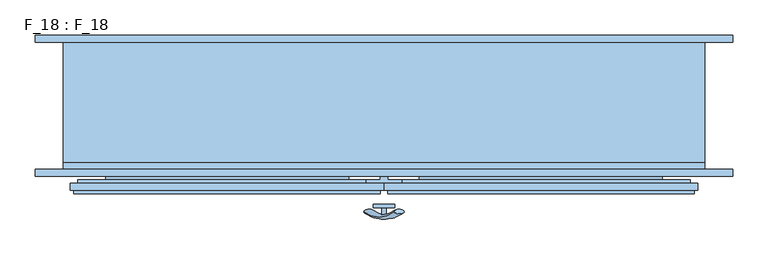
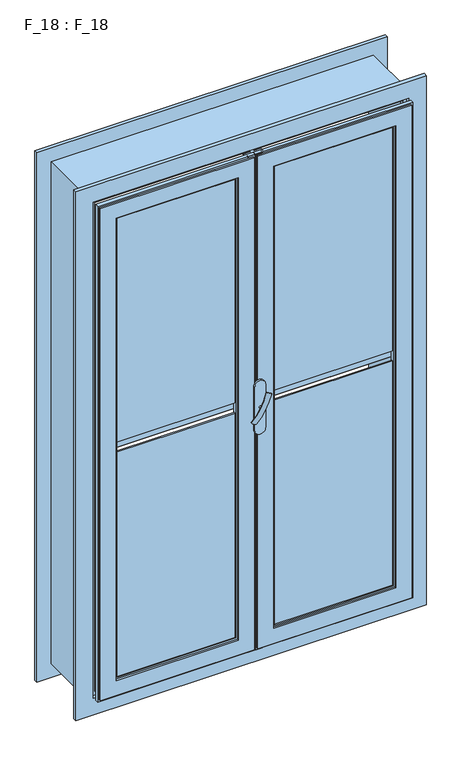
"""IFC4 building model written with IfcOpenShell, lengths in millimetres: window geometry, F_18 : F_18."""

from ifc_helpers import new_model, si_unit, point, frame, frame_2d, origin, place, context, project, spatial, polyline, circle_curve, ellipse_curve, trimmed, segment, composite_curve, outline, extrude, faceted_brep, source, transform, mapped, element, save
from ifc_brep_helpers import plane_surface, revolved_surface, advanced_brep


def f_18_f_18_039c3aa2(model_context):
    return source(origin(), model_context, "Body", "SolidModel", [
        advanced_brep(
        [(-28.5497704, -140.2287724, 1617.2483361), (-14.693364, -140.2287724, 1609.2483361), (14.693364, -140.2287724, 1692.147642), (28.5497704, -140.2287724, 1684.147642)],
        [
            (0, 1, ellipse_curve(frame((-21.6215672, -140.2287724, 1613.2483361), z_axis=(-0.46984631039295827, 0.3420201433256777, -0.8137976813493676), x_axis=(0.8660254037844349, 0.0, -0.5000000000000066)), 8.0, 3.5)),
            (1, 0, ellipse_curve(frame((-21.6215672, -140.2287724, 1613.2483361), z_axis=(-0.46984631039295827, 0.3420201433256777, -0.8137976813493676), x_axis=(0.8660254037844349, 0.0, -0.5000000000000066)), 8.0, 3.5)),
            (2, 3, ellipse_curve(frame((21.6215672, -140.2287724, 1688.147642), z_axis=(0.46984631039296154, 0.3420201433256599, 0.8137976813493732), x_axis=(0.8660254037844355, 0.0, -0.5000000000000056)), 8.0, 3.5)),
            (3, 2, ellipse_curve(frame((21.6215672, -140.2287724, 1688.147642), z_axis=(0.46984631039296154, 0.3420201433256599, 0.8137976813493732), x_axis=(0.8660254037844355, 0.0, -0.5000000000000056)), 8.0, 3.5)),
            (3, 1, circle_curve(frame((6.9282032, -21.419237, 1646.6979891), z_axis=(0.8660254037844353, 0.0, -0.500000000000006), x_axis=(-0.1710100716628409, -0.9396926207859051, -0.29619813272603046)), 126.4344667)),
            (0, 2, circle_curve(frame((-6.9282032, -21.419237, 1654.6979891), z_axis=(-0.8660254037844353, 0.0, 0.500000000000006), x_axis=(-0.1710100716628409, -0.9396926207859051, -0.29619813272603046)), 126.4344667)),
        ],
        [
            plane_surface(frame((40.0926994, -137.5471681, 1578.7446033), z_axis=(-0.4698463103929582, 0.34202014332567776, -0.8137976813493677), x_axis=(-0.8660254037844352, 0.0, 0.500000000000006))),
            plane_surface(frame((82.3598097, -137.5471681, 1651.9533858), z_axis=(0.4698463103929615, 0.34202014332565983, 0.8137976813493734), x_axis=(-0.8660254037844352, 0.0, 0.500000000000006))),
            revolved_surface(trimmed(ellipse_curve(frame((-21.6215672, -140.2287724, 1613.2483361), z_axis=(-0.46984631039295827, 0.3420201433256777, -0.8137976813493676), x_axis=(0.8660254037844349, 0.0, -0.5000000000000066)), 8.0, 3.5), [point((-28.5497704, -140.2287724, 1617.2483361))], [point((-14.693364, -140.2287724, 1609.2483361))], True, "CARTESIAN"), (61.2262546, -21.419237, 1615.3489945), (-0.8660254037844353, 0.0, 0.500000000000006)),
            revolved_surface(trimmed(ellipse_curve(frame((-21.6215672, -140.2287724, 1613.2483361), z_axis=(-0.46984631039295827, 0.3420201433256777, -0.8137976813493676), x_axis=(0.8660254037844349, 0.0, -0.5000000000000066)), 8.0, 3.5), [point((-14.693364, -140.2287724, 1609.2483361))], [point((-28.5497704, -140.2287724, 1617.2483361))], True, "CARTESIAN"), (61.2262546, -21.419237, 1615.3489945), (-0.8660254037844353, 0.0, 0.500000000000006)),
        ],
        [
            (0, [[1, 2]]),
            (1, [[3, 4]]),
            (2, [[5, -1, 6, -4]]),
            (3, [[-6, -2, -5, -3]]),
        ],
    ),
        extrude(outline(composite_curve([segment(trimmed(circle_curve(frame_2d((1650.6979891, 0.0)), 3.5), [point((1650.6979891, -3.5))], [point((1650.6979891, 3.5))], False, "CARTESIAN"), True, "CONTINUOUS"), segment(trimmed(circle_curve(frame_2d((1650.6979891, 0.0)), 3.5), [point((1650.6979891, 3.5))], [point((1650.6979891, -3.5))], False, "CARTESIAN"), True, "CONTINUOUS")], self_intersect=False)), frame((0.0, -145.0, 0.0), z_axis=(0.0, 1.0, 0.0), x_axis=(0.0, 0.0, 1.0)), (0.0, 0.0, 1.0), 10.0),
        extrude(outline(composite_curve([segment(polyline([(1715.0, -15.0), (1585.0, -15.0)]), True, "CONTINUOUS"), segment(trimmed(circle_curve(frame_2d((1585.0, 0.0)), 15.0), [point((1585.0, -15.0))], [point((1585.0, 15.0))], False, "CARTESIAN"), True, "CONTINUOUS"), segment(polyline([(1585.0, 15.0), (1715.0, 15.0)]), True, "CONTINUOUS"), segment(trimmed(circle_curve(frame_2d((1715.0, 0.0)), 15.0), [point((1715.0, 15.0))], [point((1715.0, -15.0))], False, "CARTESIAN"), True, "CONTINUOUS")], self_intersect=False)), frame((0.0, -135.0, 0.0), z_axis=(0.0, 1.0, 0.0), x_axis=(0.0, 0.0, 1.0)), (0.0, 0.0, 1.0), 5.0),
        faceted_brep([(455.0, 100.0, 2400.0), (455.0, -70.0, 2400.0), (455.0, -70.0, 900.0), (455.0, 100.0, 900.0), (-455.0, -70.0, 2400.0), (-455.0, -70.0, 900.0), (445.0, -70.0, 910.0), (-445.0, -70.0, 910.0), (-445.0, -70.0, 2390.0), (445.0, -70.0, 2390.0), (-455.0, 100.0, 900.0), (495.0, 100.0, 2440.0), (-495.0, 100.0, 2440.0), (-495.0, 100.0, 860.0), (495.0, 100.0, 860.0), (-455.0, 100.0, 2400.0), (495.0, 110.0, 2440.0), (495.0, 110.0, 860.0), (-495.0, 110.0, 860.0), (-495.0, 110.0, 2440.0), (450.0, 110.0, 2395.0), (-450.0, 110.0, 2395.0), (-450.0, 110.0, 905.0), (450.0, 110.0, 905.0), (445.0, 105.0, 910.0), (-445.0, 105.0, 910.0), (-445.0, 105.0, 2390.0), (445.0, 105.0, 2390.0), (450.0, 105.0, 905.0), (-450.0, 105.0, 905.0), (-450.0, 105.0, 2395.0), (450.0, 105.0, 2395.0)], [[[0, 1, 2, 3]], [[1, 4, 5, 2], [6, 7, 8, 9]], [[3, 2, 5, 10]], [[11, 12, 13, 14], [3, 10, 15, 0]], [[16, 11, 14, 17]], [[17, 14, 13, 18]], [[17, 18, 19, 16], [20, 21, 22, 23]], [[10, 5, 4, 15]], [[18, 13, 12, 19]], [[6, 24, 25, 7]], [[7, 25, 26, 8]], [[9, 27, 24, 6]], [[28, 29, 30, 31], [27, 26, 25, 24]], [[29, 22, 21, 30]], [[28, 23, 22, 29]], [[31, 20, 23, 28]], [[15, 4, 1, 0]], [[19, 12, 11, 16]], [[8, 26, 27, 9]], [[30, 21, 20, 31]]]),
        faceted_brep([(50.0, -95.0, 960.0), (50.0, -100.0, 960.0), (395.0, -100.0, 960.0), (395.0, -95.0, 960.0), (395.0, -80.0, 1640.0), (395.0, -80.0, 1635.0), (50.0, -80.0, 1635.0), (50.0, -80.0, 1640.0), (50.0, -95.0, 2340.0), (50.0, -100.0, 2340.0), (50.0, -95.0, 1640.0), (50.0, -95.0, 1660.0), (395.0, -75.0, 1640.0), (50.0, -75.0, 1640.0), (395.0, -100.0, 2340.0), (395.0, -95.0, 2340.0), (395.0, -95.0, 1660.0), (395.0, -95.0, 1640.0), (395.0, -80.0, 1660.0), (395.0, -75.0, 1660.0), (50.0, -75.0, 1660.0), (50.0, -80.0, 1660.0), (395.0, -90.0, 1635.0), (50.0, -90.0, 1635.0), (55.0, -100.0, 2335.0), (55.0, -110.0, 2335.0), (55.0, -110.0, 965.0), (55.0, -100.0, 965.0), (390.0, -110.0, 965.0), (390.0, -100.0, 965.0), (390.0, -110.0, 2335.0), (390.0, -100.0, 2335.0), (395.0, -90.0, 1665.0), (395.0, -80.0, 1665.0), (50.0, -80.0, 1665.0), (50.0, -90.0, 1665.0), (10.0, -100.0, 2380.0), (10.0, -95.0, 2380.0), (10.0, -95.0, 920.0), (10.0, -100.0, 920.0), (435.0, -100.0, 920.0), (435.0, -95.0, 920.0), (435.0, -95.0, 2380.0), (435.0, -100.0, 2380.0), (395.0, -90.0, 1660.0), (50.0, -90.0, 1660.0), (50.0, -110.0, 960.0), (50.0, -115.0, 960.0), (395.0, -115.0, 960.0), (395.0, -110.0, 960.0), (395.0, -115.0, 2340.0), (395.0, -110.0, 2340.0), (395.0, -90.0, 1640.0), (50.0, -90.0, 1640.0), (50.0, -110.0, 2340.0), (50.0, -115.0, 2340.0), (5.0, -115.0, 2385.0), (5.0, -110.0, 2385.0), (5.0, -110.0, 915.0), (5.0, -115.0, 915.0), (440.0, -110.0, 915.0), (440.0, -115.0, 915.0), (440.0, -110.0, 2385.0), (440.0, -115.0, 2385.0), (0.0, -110.0, 2390.0), (0.0, -110.0, 910.0), (445.0, -110.0, 910.0), (445.0, -110.0, 2390.0), (0.0, -100.0, 2390.0), (0.0, -100.0, 910.0), (445.0, -100.0, 2390.0), (445.0, -100.0, 910.0)], [[[0, 1, 2, 3]], [[4, 5, 6, 7]], [[8, 9, 1, 0, 10, 11]], [[12, 4, 7, 13]], [[3, 2, 14, 15, 16, 17]], [[18, 19, 20, 21]], [[5, 22, 23, 6]], [[24, 25, 26, 27]], [[27, 26, 28, 29]], [[29, 28, 30, 31]], [[32, 33, 34, 35]], [[19, 12, 13, 20]], [[36, 37, 38, 39]], [[40, 41, 42, 43]], [[39, 38, 41, 40]], [[44, 32, 35, 45]], [[46, 47, 48, 49]], [[49, 48, 50, 51]], [[52, 17, 10, 53]], [[54, 55, 47, 46]], [[16, 44, 45, 11]], [[16, 11, 10, 17]], [[56, 57, 58, 59]], [[59, 58, 60, 61]], [[61, 60, 62, 63]], [[64, 65, 66, 67], [58, 57, 62, 60]], [[64, 68, 69, 65]], [[69, 68, 70, 71], [36, 39, 40, 43]], [[65, 69, 71, 66]], [[66, 71, 70, 67]], [[9, 8, 15, 14]], [[25, 24, 31, 30]], [[37, 36, 43, 42]], [[55, 54, 51, 50]], [[57, 56, 63, 62]], [[68, 64, 67, 70]], [[5, 4, 12, 19, 18, 33, 32, 44, 16, 17, 52, 22]], [[33, 18, 21, 34]], [[38, 37, 42, 41], [0, 3, 17, 16, 15, 8, 11, 10]], [[22, 52, 53, 23]], [[6, 23, 53, 10, 11, 45, 35, 34, 21, 20, 13, 7]], [[1, 9, 14, 2], [24, 27, 29, 31]], [[54, 46, 49, 51], [26, 25, 30, 28]], [[56, 59, 61, 63], [47, 55, 50, 48]]]),
        faceted_brep([(455.0, -70.0, 2400.0), (455.0, -80.0, 2400.0), (455.0, -80.0, 900.0), (455.0, -70.0, 900.0), (495.0, -80.0, 860.0), (-495.0, -80.0, 860.0), (-495.0, -80.0, 2440.0), (495.0, -80.0, 2440.0), (-455.0, -80.0, 2400.0), (-455.0, -80.0, 900.0), (-455.0, -70.0, 900.0), (-455.0, -70.0, 2400.0), (435.0, -70.0, 2380.0), (-435.0, -70.0, 2380.0), (-435.0, -70.0, 920.0), (435.0, -70.0, 920.0), (435.0, -80.0, 2380.0), (435.0, -80.0, 920.0), (-435.0, -80.0, 920.0), (445.0, -80.0, 2390.0), (-445.0, -80.0, 2390.0), (-445.0, -80.0, 910.0), (445.0, -80.0, 910.0), (-435.0, -80.0, 2380.0), (445.0, -90.0, 2390.0), (445.0, -90.0, 910.0), (-445.0, -90.0, 910.0), (495.0, -90.0, 2440.0), (-495.0, -90.0, 2440.0), (-495.0, -90.0, 860.0), (495.0, -90.0, 860.0), (-445.0, -90.0, 2390.0)], [[[0, 1, 2, 3]], [[4, 5, 6, 7], [1, 8, 9, 2]], [[3, 2, 9, 10]], [[3, 10, 11, 0], [12, 13, 14, 15]], [[16, 12, 15, 17]], [[17, 15, 14, 18]], [[19, 20, 21, 22], [17, 18, 23, 16]], [[24, 19, 22, 25]], [[25, 22, 21, 26]], [[27, 28, 29, 30], [25, 26, 31, 24]], [[7, 27, 30, 4]], [[4, 30, 29, 5]], [[10, 9, 8, 11]], [[18, 14, 13, 23]], [[26, 21, 20, 31]], [[5, 29, 28, 6]], [[11, 8, 1, 0]], [[23, 13, 12, 16]], [[31, 20, 19, 24]], [[6, 28, 27, 7]]]),
        extrude(outline(polyline([(-55.0, -107.0), (-390.0, -107.0), (-390.0, -103.0), (-55.0, -103.0), (-55.0, -107.0)])), frame((0.0, 0.0, 965.0), z_axis=(0.0, 0.0, 1.0), x_axis=(1.0, 0.0, 0.0)), (0.0, 0.0, 1.0), 670.0),
        extrude(outline(polyline([(390.0, -107.0), (55.0, -107.0), (55.0, -103.0), (390.0, -103.0), (390.0, -107.0)])), frame((0.0, 0.0, 965.0), z_axis=(0.0, 0.0, 1.0), x_axis=(1.0, 0.0, 0.0)), (0.0, 0.0, 1.0), 670.0),
        extrude(outline(polyline([(-55.0, -107.0), (-390.0, -107.0), (-390.0, -103.0), (-55.0, -103.0), (-55.0, -107.0)])), frame((0.0, 0.0, 1665.0), z_axis=(0.0, 0.0, 1.0), x_axis=(1.0, 0.0, 0.0)), (0.0, 0.0, 1.0), 670.0),
        extrude(outline(polyline([(395.0, -107.0), (55.0, -107.0), (55.0, -103.0), (395.0, -103.0), (395.0, -107.0)])), frame((0.0, 0.0, 1665.0), z_axis=(0.0, 0.0, 1.0), x_axis=(1.0, 0.0, 0.0)), (0.0, 0.0, 1.0), 670.0),
        faceted_brep([(-50.0, -100.0, 2340.0), (-50.0, -95.0, 2340.0), (-50.0, -95.0, 1660.0), (-50.0, -95.0, 1640.0), (-50.0, -95.0, 960.0), (-50.0, -100.0, 960.0), (-395.0, -95.0, 960.0), (-395.0, -100.0, 960.0), (-395.0, -100.0, 2340.0), (-55.0, -100.0, 965.0), (-55.0, -100.0, 2335.0), (-390.0, -100.0, 2335.0), (-390.0, -100.0, 965.0), (-50.0, -75.0, 1640.0), (-50.0, -80.0, 1640.0), (-395.0, -80.0, 1640.0), (-395.0, -75.0, 1640.0), (-10.0, -95.0, 2380.0), (-10.0, -95.0, 920.0), (-435.0, -95.0, 920.0), (-435.0, -95.0, 2380.0), (-395.0, -95.0, 2340.0), (-395.0, -95.0, 1660.0), (-395.0, -95.0, 1640.0), (-50.0, -80.0, 1660.0), (-50.0, -75.0, 1660.0), (-395.0, -75.0, 1660.0), (-395.0, -80.0, 1660.0), (-55.0, -110.0, 2335.0), (-55.0, -110.0, 965.0), (-50.0, -90.0, 1665.0), (-50.0, -80.0, 1665.0), (-395.0, -80.0, 1665.0), (-395.0, -90.0, 1665.0), (-50.0, -110.0, 960.0), (-50.0, -110.0, 2340.0), (-395.0, -110.0, 2340.0), (-395.0, -110.0, 960.0), (-390.0, -110.0, 965.0), (-390.0, -110.0, 2335.0), (-50.0, -80.0, 1635.0), (-50.0, -90.0, 1635.0), (-395.0, -90.0, 1635.0), (-395.0, -80.0, 1635.0), (-50.0, -115.0, 2340.0), (-50.0, -115.0, 960.0), (-50.0, -90.0, 1660.0), (-395.0, -90.0, 1660.0), (-5.0, -115.0, 915.0), (-5.0, -115.0, 2385.0), (-440.0, -115.0, 2385.0), (-440.0, -115.0, 915.0), (-395.0, -115.0, 960.0), (-395.0, -115.0, 2340.0), (-50.0, -90.0, 1640.0), (-395.0, -90.0, 1640.0), (-5.0, -110.0, 2385.0), (-5.0, -110.0, 915.0), (-440.0, -110.0, 915.0), (0.0, -110.0, 910.0), (0.0, -110.0, 2390.0), (-445.0, -110.0, 2390.0), (-445.0, -110.0, 910.0), (-440.0, -110.0, 2385.0), (0.0, -100.0, 2390.0), (0.0, -100.0, 910.0), (-445.0, -100.0, 910.0), (-445.0, -100.0, 2390.0), (-10.0, -100.0, 920.0), (-10.0, -100.0, 2380.0), (-435.0, -100.0, 2380.0), (-435.0, -100.0, 920.0)], [[[0, 1, 2, 3, 4, 5]], [[5, 4, 6, 7]], [[0, 5, 7, 8], [9, 10, 11, 12]], [[13, 14, 15, 16]], [[17, 18, 19, 20], [6, 4, 3, 2, 1, 21, 22, 23]], [[24, 25, 26, 27]], [[28, 10, 9, 29]], [[30, 31, 32, 33]], [[34, 35, 36, 37], [28, 29, 38, 39]], [[29, 9, 12, 38]], [[40, 41, 42, 43]], [[44, 35, 34, 45]], [[2, 46, 47, 22]], [[48, 49, 50, 51], [44, 45, 52, 53]], [[45, 34, 37, 52]], [[54, 3, 23, 55]], [[56, 49, 48, 57]], [[57, 48, 51, 58]], [[59, 60, 61, 62], [56, 57, 58, 63]], [[64, 60, 59, 65]], [[65, 59, 62, 66]], [[64, 65, 66, 67], [68, 69, 70, 71]], [[17, 69, 68, 18]], [[18, 68, 71, 19]], [[7, 6, 23, 22, 21, 8]], [[38, 12, 11, 39]], [[52, 37, 36, 53]], [[58, 51, 50, 63]], [[66, 62, 61, 67]], [[19, 71, 70, 20]], [[1, 0, 8, 21]], [[10, 28, 39, 11]], [[35, 44, 53, 36]], [[49, 56, 63, 50]], [[60, 64, 67, 61]], [[69, 17, 20, 70]], [[2, 22, 23, 3]], [[40, 14, 13, 25, 24, 31, 30, 46, 2, 3, 54, 41]], [[43, 42, 55, 23, 22, 47, 33, 32, 27, 26, 16, 15]], [[14, 40, 43, 15]], [[25, 13, 16, 26]], [[31, 24, 27, 32]], [[46, 30, 33, 47]], [[41, 54, 55, 42]]]),
        extrude(outline(polyline([(-0.5, -75.0), (-0.5, -80.0), (-10.0, -80.0), (-10.0, -75.0), (-0.5, -75.0)])), frame((0.0, 0.0, 910.0), z_axis=(0.0, 0.0, 1.0), x_axis=(1.0, 0.0, 0.0)), (0.0, 0.0, 1.0), 1480.0),
        extrude(outline(polyline([(5.0, -90.0), (5.0, -95.0), (25.0, -95.0), (25.0, -105.0), (20.0, -105.0), (20.0, -110.0), (-20.0, -110.0), (-20.0, -105.0), (-25.0, -105.0), (-25.0, -95.0), (-5.0, -95.0), (-5.0, -90.0), (5.0, -90.0)])), frame((0.0, 0.0, 910.0), z_axis=(0.0, 0.0, 1.0), x_axis=(1.0, 0.0, 0.0)), (0.0, 0.0, 1.0), 1480.0),
        extrude(outline(polyline([(0.5, -75.0), (10.0, -75.0), (10.0, -80.0), (0.5, -80.0), (0.5, -75.0)])), frame((0.0, 0.0, 910.0), z_axis=(0.0, 0.0, 1.0), x_axis=(1.0, 0.0, 0.0)), (0.0, 0.0, 1.0), 1480.0),
    ])


if __name__ == "__main__":
    model = new_model("IFC4")
    model_context = context("Model", 3, world=origin())
    ifc_project = project(units=[si_unit("LENGTHUNIT", "METRE", prefix="MILLI")], contexts=[model_context])
    site = spatial("IfcSite", under=ifc_project)
    building = spatial("IfcBuilding", under=site)
    placement = place(None, origin())
    f_18_f_18_shape = f_18_f_18_039c3aa2(model_context)
    element("IfcWindow", 1, ObjectType="F_18 : F_18", at=placement, inside=building, context=model_context, shape_type="MappedRepresentation", body=[
        mapped(f_18_f_18_shape, transform((0.0, 0.0, 0.0), x_axis=(1.0, 0.0, 0.0), y_axis=(0.0, 1.0, 0.0), z_axis=(0.0, 0.0, 1.0))),
    ])
    save(model, "model.ifc")
